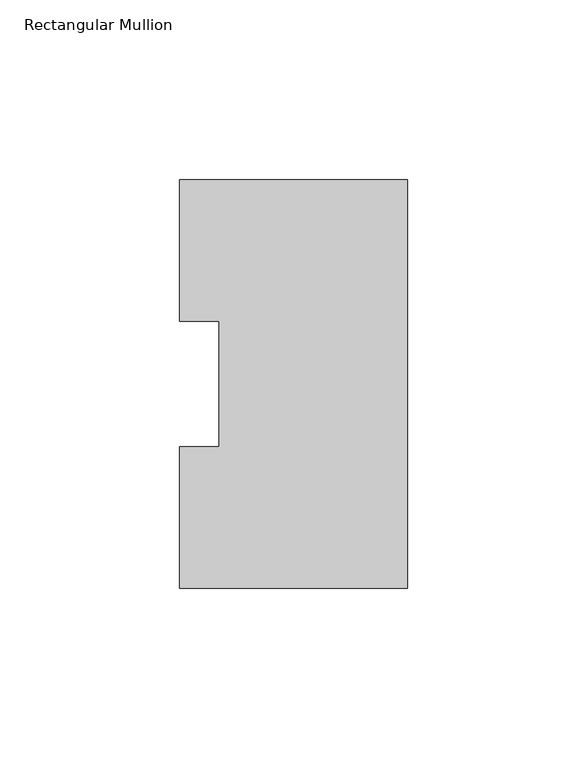
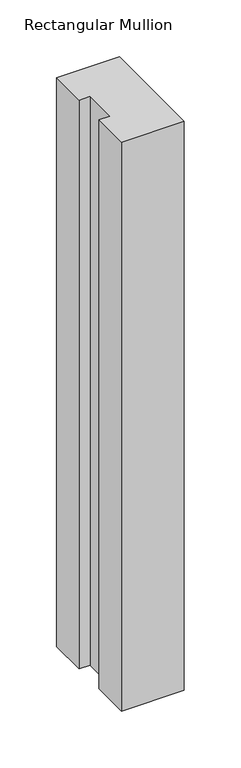
"""IFC4 building model written with IfcOpenShell, lengths in millimetres: member geometry, Rectangular Mullion."""

import ifcopenshell
import ifcopenshell.guid

model = None  # the IFC model being written
_history = None  # IfcOwnerHistory: only IFC2X3 demands one
_inside = {}  # id of a spatial element -> (the spatial element, [elements in it])
_under = {}  # id of a project, library or spatial element -> (it, [spatial elements below it])
_declared = {}  # id of a project -> (the project, [libraries it declares])
_typed = {}  # id of a type object -> (the type object, [elements of that type])
_made_of = {}  # id of a material, layer set ... -> (it, [elements and type objects made of it])


def new_model(schema):
    """Start an empty IFC model of exactly this schema.

    Asked for "IFC4X3", IfcOpenShell would pick the latest addendum, in which some entities
    have other attributes; the version numbers below select the first issue.
    IFC2X3 requires an IfcOwnerHistory on every rooted entity: one is made here for all.
    """
    global model, _history
    if schema == "IFC4X3":
        model = ifcopenshell.file(schema_version=(4, 3, 0, 0))
    else:
        model = ifcopenshell.file(schema=schema)
    _inside.clear()
    _under.clear()
    _declared.clear()
    _typed.clear()
    _made_of.clear()
    _history = None
    if model.schema == "IFC2X3":
        org = make("IfcOrganization", Name="unknown")
        user = make(
            "IfcPersonAndOrganization",
            ThePerson=make("IfcPerson", FamilyName="unknown"),
            TheOrganization=org,
        )
        app = make(
            "IfcApplication",
            ApplicationDeveloper=org,
            Version="unknown",
            ApplicationFullName="unknown",
            ApplicationIdentifier="unknown",
        )
        _history = make(
            "IfcOwnerHistory",
            OwningUser=user,
            OwningApplication=app,
            ChangeAction="ADDED",
            CreationDate=0,
        )
    return model


def make(cls, **values):
    """One entity of the class cls with the attributes given. An attribute that is None is left unset."""
    return model.create_entity(
        cls, **{name: value for name, value in values.items() if value is not None}
    )


def rooted(cls, **values):
    """An entity with a GlobalId (a new one), such as an element, a storey or a relation."""
    return make(cls, GlobalId=ifcopenshell.guid.new(), OwnerHistory=_history, **values)


def si_unit(unit_type, name, prefix=None):
    """IfcSIUnit, for example si_unit("LENGTHUNIT", "METRE", prefix="MILLI")."""
    return make("IfcSIUnit", UnitType=unit_type, Prefix=prefix, Name=name)


def assignment(units):
    """IfcUnitAssignment: the units of a project."""
    return None if units is None else make("IfcUnitAssignment", Units=units)


def point(xyz):
    """IfcCartesianPoint."""
    return None if xyz is None else make("IfcCartesianPoint", Coordinates=xyz)


def direction(xyz):
    """IfcDirection."""
    return None if xyz is None else make("IfcDirection", DirectionRatios=xyz)


def frame(location, z_axis=None, x_axis=None):
    """IfcAxis2Placement3D, a coordinate frame: its origin and axes. An axis left out is left unset."""
    return make(
        "IfcAxis2Placement3D",
        Location=point(location),
        Axis=direction(z_axis),
        RefDirection=direction(x_axis),
    )


def origin():
    """The frame at (0, 0, 0) with its axes left unset."""
    return frame((0.0, 0.0, 0.0))


def place(relative_to, where):
    """IfcLocalPlacement: puts the frame where relative to a parent placement (None: the world)."""
    return make(
        "IfcLocalPlacement", PlacementRelTo=relative_to, RelativePlacement=where
    )


def context(
    kind, dimensions, precision=None, world=None, true_north=None, identifier=None
):
    """IfcGeometricRepresentationContext, for example the 3D "Model" context."""
    return make(
        "IfcGeometricRepresentationContext",
        ContextIdentifier=identifier,
        ContextType=kind,
        CoordinateSpaceDimension=dimensions,
        Precision=precision,
        WorldCoordinateSystem=world,
        TrueNorth=true_north,
    )


def project(units=None, contexts=None):
    """IfcProject with its units and contexts."""
    return rooted(
        "IfcProject",
        Name="project",
        RepresentationContexts=contexts,
        UnitsInContext=assignment(units),
    )


def spatial(cls, under=None, at=None, **own):
    """A site, building, storey or space (cls), placed at a placement, below another one or the project."""
    s = rooted(cls, ObjectPlacement=at, **own)
    if under is not None:
        _under.setdefault(under.id(), (under, []))[1].append(s)
    return s


def polyline(points):
    """IfcPolyline through the points."""
    return make("IfcPolyline", Points=[point(p) for p in points])


def outline(outer, holes=None, kind="AREA"):
    """IfcArbitraryClosedProfileDef: a profile drawn as a closed curve; with holes, ...WithVoids."""
    if holes is None:
        return make("IfcArbitraryClosedProfileDef", ProfileType=kind, OuterCurve=outer)
    return make(
        "IfcArbitraryProfileDefWithVoids",
        ProfileType=kind,
        OuterCurve=outer,
        InnerCurves=holes,
    )


def extrude(swept, where, along, depth):
    """IfcExtrudedAreaSolid: the profile swept, set in the frame where, extruded along a direction by depth."""
    return make(
        "IfcExtrudedAreaSolid",
        SweptArea=swept,
        Position=where,
        ExtrudedDirection=direction(along),
        Depth=depth,
    )


def shape(context_of_items, identifier, shape_type, items):
    """IfcShapeRepresentation: the items that make up one representation, for example the "Body"."""
    return make(
        "IfcShapeRepresentation",
        ContextOfItems=context_of_items,
        RepresentationIdentifier=identifier,
        RepresentationType=shape_type,
        Items=items,
    )


def source(mapping_origin, context_of_items, identifier, shape_type, items):
    """IfcRepresentationMap: a shape defined once, which mapped items show again and again."""
    return make(
        "IfcRepresentationMap",
        MappingOrigin=mapping_origin,
        MappedRepresentation=shape(context_of_items, identifier, shape_type, items),
    )


def transform(
    local_origin,
    x_axis=None,
    y_axis=None,
    z_axis=None,
    scale=None,
    scale2=None,
    scale3=None,
    uniform=True,
):
    """IfcCartesianTransformationOperator3D, or its non-uniform kind. x_axis, y_axis, z_axis: its Axis1, 2, 3."""
    if uniform:
        return make(
            "IfcCartesianTransformationOperator3D",
            Axis1=direction(x_axis),
            Axis2=direction(y_axis),
            LocalOrigin=point(local_origin),
            Scale=scale,
            Axis3=direction(z_axis),
        )
    return make(
        "IfcCartesianTransformationOperator3DnonUniform",
        Axis1=direction(x_axis),
        Axis2=direction(y_axis),
        LocalOrigin=point(local_origin),
        Scale=scale,
        Axis3=direction(z_axis),
        Scale2=scale2,
        Scale3=scale3,
    )


def mapped(mapping_source, mapping_target):
    """IfcMappedItem: shows the shape of a source again, moved by a transform."""
    return make(
        "IfcMappedItem", MappingSource=mapping_source, MappingTarget=mapping_target
    )


def made_of(thing, what):
    """Note that an element or type object is made of a material, layer set ...; save() writes the relation."""
    if what is not None:
        _made_of.setdefault(what.id(), (what, []))[1].append(thing)
    return thing


def element(
    cls,
    number,
    at=None,
    inside=None,
    cuts=None,
    type_object=None,
    material=None,
    context=None,
    identifier="Body",
    shape_type=None,
    held_by="IfcProductDefinitionShape",
    body=None,
    shapes=None,
    **own,
):
    """One element of the class cls, such as IfcWall. Its Tag is "e" and its number.

    at: its placement. inside: the storey or other place that contains it. cuts: it is an
    opening in that element (IfcRelVoidsElement). A single representation is given by context,
    identifier, shape_type and body (its items); several are given by shapes. held_by: the class
    of the entity that holds the representations. save() writes the other relations.
    """
    e = rooted(cls, Tag="e%d" % number, ObjectPlacement=at, **own)
    if body is not None:
        shapes = [shape(context, identifier, shape_type, body)]
    if shapes is not None:
        e.Representation = make(held_by, Representations=shapes)
    if inside is not None:
        _inside.setdefault(inside.id(), (inside, []))[1].append(e)
    if cuts is not None:
        rooted(
            "IfcRelVoidsElement", RelatingBuildingElement=cuts, RelatedOpeningElement=e
        )
    if type_object is not None:
        _typed.setdefault(type_object.id(), (type_object, []))[1].append(e)
    return made_of(e, material)


def aggregate(whole, parts):
    """IfcRelAggregates: a whole, such as a stair, and the parts it consists of."""
    return rooted("IfcRelAggregates", RelatingObject=whole, RelatedObjects=parts)


def save(model, path):
    """Write the relations noted so far, then the file.

    IfcRelAggregates (storeys below a building ...), IfcRelContainedInSpatialStructure (elements
    in a storey), IfcRelDefinesByType, IfcRelAssociatesMaterial and IfcRelDeclares: one each for
    every whole, place, type object, material and project.
    """
    for whole, parts in _under.values():
        aggregate(whole, parts)
    for where, things in _inside.values():
        rooted(
            "IfcRelContainedInSpatialStructure",
            RelatedElements=things,
            RelatingStructure=where,
        )
    for kind, things in _typed.values():
        rooted("IfcRelDefinesByType", RelatedObjects=things, RelatingType=kind)
    for what, things in _made_of.values():
        rooted("IfcRelAssociatesMaterial", RelatedObjects=things, RelatingMaterial=what)
    for by, libraries in _declared.values():
        rooted("IfcRelDeclares", RelatingContext=by, RelatedDefinitions=libraries)
    model.write(path)


def rectangular_mullion_1352637d(model_context):
    return source(origin(), model_context, "Body", "SweptSolid", [
        extrude(outline(polyline([(0.0, 114.017425), (0.0, 0.225425), (-63.5, 0.225425), (-63.5, 39.646225), (-52.3875, 39.646225), (-52.3875, 74.596625), (-63.5, 74.596625), (-63.5, 114.017425), (0.0, 114.017425)])), frame((0.0, 0.0, -609.5865062), z_axis=(0.0, 0.0, 1.0), x_axis=(1.0, 0.0, 0.0)), (0.0, 0.0, 1.0), 609.5865062),
    ])


if __name__ == "__main__":
    model = new_model("IFC4")
    model_context = context("Model", 3, world=origin())
    ifc_project = project(units=[si_unit("LENGTHUNIT", "METRE", prefix="MILLI")], contexts=[model_context])
    site = spatial("IfcSite", under=ifc_project)
    building = spatial("IfcBuilding", under=site)
    placement = place(None, origin())
    rectangular_mullion_shape = rectangular_mullion_1352637d(model_context)
    element("IfcMember", 1, ObjectType="Rectangular Mullion", at=placement, inside=building, context=model_context, shape_type="MappedRepresentation", body=[
        mapped(rectangular_mullion_shape, transform((0.0, 0.0, 0.0), x_axis=(1.0, 0.0, 0.0), y_axis=(0.0, 1.0, 0.0), z_axis=(0.0, 0.0, 1.0))),
    ])
    save(model, "model.ifc")
